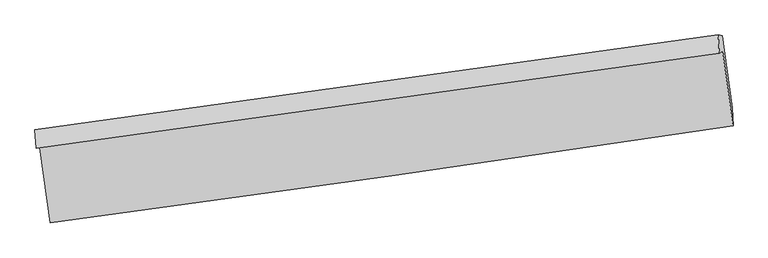
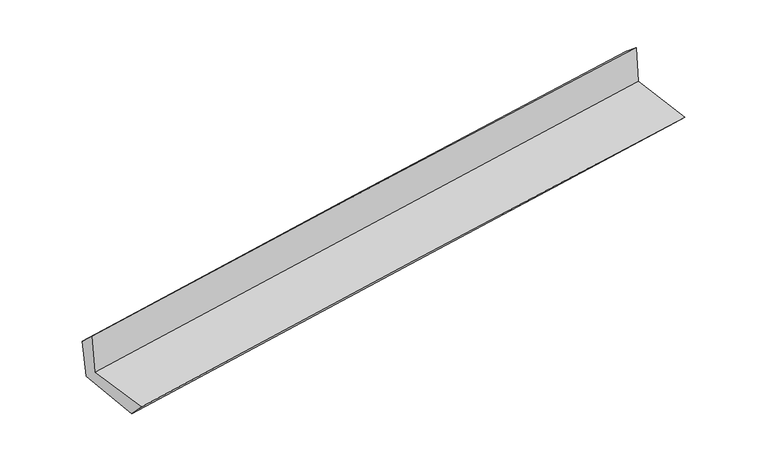
"""IFC4 building model written with IfcOpenShell, lengths in millimetres: proxy geometry."""

from ifc_helpers import new_model, si_unit, frame, origin, place, context, project, spatial, source, transform, mapped, element, save
from ifc_brep_helpers import plane_surface, spline_curve, spline_surface, advanced_brep


def generic_models_888f6c62(model_context):
    return source(origin(), model_context, "Body", "AdvancedBrep", [
        advanced_brep(
        [(-3000.1499838, -1925.1554991, 1658.0591765), (-2910.4017166, -2581.1784969, 1655.1389871), (3045.1346431, -1733.6214289, 2140.9584269), (2954.8940564, -1083.2894986, 2158.8601844), (-3032.7892665, -1929.9717085, 2051.2270704), (2925.5301742, -1102.1776901, 2536.0213777), (-3042.5585453, -1769.3183165, 1907.7747364), (2914.5557356, -942.3035105, 2408.0550289), (-3009.0776722, -1776.7986035, 1524.4786316), (2949.2533397, -949.3836764, 2009.7470122), (-2918.0463087, -2420.4143574, 1486.4196522), (3036.6739966, -1579.1549963, 1992.0206486)],
        [
            (0, 1),
            (1, 2, spline_curve(3, [(-2910.4017166, -2581.1784969, 1655.1389871), (-1917.664684645, -2447.673515195, 1747.078738118), (-925.010580202, -2310.2926361, 1833.532924355), (1060.168212501, -2027.773898077, 1995.473140567), (2052.692894711, -1882.635754274, 2070.958767425), (3045.1346431, -1733.6214289, 2140.9584269)], [4, 2, 4], [0.0, 9.9000527015309, 19.800468854048155])),
            (2, 3),
            (3, 0, spline_curve(3, [(2954.8940564, -1083.2894986, 2158.8601844), (1962.698469319, -1229.458273095, 2081.369694827), (970.337893622, -1372.699394236, 2000.890211951), (-1014.676798736, -1653.321179361, 1833.956323434), (-2007.330903178, -1790.702058356, 1747.502136867), (-3000.1499838, -1925.1554991, 1658.0591765)], [4, 2, 4], [0.0, 9.900416152517256, 19.800468854048155])),
            (4, 0),
            (3, 5),
            (5, 4, spline_curve(3, [(2925.5301742, -1102.1776901, 2536.0213777), (1931.696876839, -1241.310430152, 2466.534287509), (938.244500867, -1379.860890782, 2391.390371578), (-1047.861951541, -1655.792187512, 2229.791853672), (-2040.516055765, -1793.173066501, 2143.337667313), (-3032.7892665, -1929.9717085, 2051.2270704)], [4, 2, 4], [0.0, 9.900326488150554, 19.800289528606392])),
            (6, 4),
            (5, 7),
            (7, 6, spline_curve(3, [(2914.5557356, -942.3035105, 2408.0550289), (1921.325021657, -1081.046641943, 2330.824898708), (928.274365784, -1219.337365123, 2250.518987513), (-1057.430381231, -1495.008933939, 2083.758664285), (-2050.084485809, -1632.389812911, 1997.30447789), (-3042.5585453, -1769.3183165, 1907.7747364)], [4, 2, 4], [0.0, 9.900276560172534, 19.80018967448324])),
            (8, 6),
            (7, 9),
            (9, 8, spline_curve(3, [(2949.2533397, -949.3836764, 2009.7470122), (1955.414256711, -1088.326869895, 1940.022883747), (961.958023584, -1226.750966541, 1864.72094324), (-1024.152285387, -1502.555904073, 1702.964407111), (-2016.806390059, -1639.936783071, 1616.510220549), (-3009.0776722, -1776.7986035, 1524.4786316)], [4, 2, 4], [0.0, 9.900272885032507, 19.800182324338103])),
            (10, 8),
            (9, 11),
            (11, 10, spline_curve(3, [(3036.6739966, -1579.1549963, 1992.0206486), (2044.640277975, -1725.020449062, 1912.130150271), (1052.387613674, -1868.059357205, 1830.050671203), (-932.519170569, -2148.478936504, 1661.51684475), (-1925.173274998, -2285.859815436, 1575.062658567), (-2918.0463087, -2420.4143574, 1486.4196522)], [4, 2, 4], [0.0, 9.900293672097249, 19.80022389770448])),
            (1, 10),
            (11, 2),
        ],
        [
            spline_surface(3, 3, [[(-3000.1499838, -1925.1554991, 1658.0591765), (-2007.330903042, -1790.702058294, 1747.502136919), (-1014.676798638, -1653.321179424, 1833.956323327), (970.337893524, -1372.699394173, 2000.890212058), (1962.698469223, -1229.458272941, 2081.369694991), (2954.8940564, -1083.2894986, 2158.8601844)], [(-2970.233894737, -2143.829831689, 1657.085780024), (-1977.442163558, -2009.692543882, 1747.361003948), (-984.788059153, -1872.311665012, 1833.815190356), (1000.28133317, -1591.057562156, 1999.084521522), (1992.69661104, -1447.184100105, 2077.899385781), (2984.974251974, -1300.066808732, 2152.8929319)], [(-2940.317805663, -2362.504164311, 1656.112383576), (-1947.553424063, -2228.683029504, 1747.219871006), (-954.899319659, -2091.302150534, 1833.674057414), (1030.224772827, -1809.415730073, 1997.278831015), (2022.694752835, -1664.909927172, 2074.42907657), (3015.054447526, -1516.844118768, 2146.9256794)], [(-2910.4017166, -2581.1784969, 1655.1389871), (-1917.664684579, -2447.673515092, 1747.078738035), (-925.010580174, -2310.292636122, 1833.532924443), (1060.168212473, -2027.773898056, 1995.473140479), (2052.692894652, -1882.635754336, 2070.958767359), (3045.1346431, -1733.6214289, 2140.9584269)]], [4, 4], [4, 2, 4], [0.0, 2.172375343078488], [0.0, 9.9000527015309, 19.800468854048155]),
            spline_surface(3, 3, [[(-3032.7892665, -1929.9717085, 2051.2270704), (-2040.51605577, -1793.173066474, 2143.337667349), (-1047.861951465, -1655.792187504, 2229.791853757), (938.244500791, -1379.860890791, 2391.390371493), (1931.69687674, -1241.310430289, 2466.534287561), (2925.5301742, -1102.1776901, 2536.0213777)], [(-3021.909505588, -1928.366305387, 1920.171105767), (-2029.454338182, -1792.349397101, 2011.392490539), (-1036.800233877, -1654.968518131, 2097.846676947), (948.942298348, -1377.473725239, 2261.223651681), (1942.030740904, -1237.359711158, 2338.146090038), (2935.318134937, -1095.881626252, 2410.300979934)], [(-3011.029744712, -1926.760902213, 1789.115141133), (-2018.39262063, -1791.525727667, 1879.447313728), (-1025.738516226, -1654.144848797, 1965.901500137), (959.640095967, -1375.086559726, 2131.056931869), (1952.364605059, -1233.408992071, 2209.757892514), (2945.106095663, -1089.585562448, 2284.580582166)], [(-3000.1499838, -1925.1554991, 1658.0591765), (-2007.330903042, -1790.702058294, 1747.502136919), (-1014.676798638, -1653.321179424, 1833.956323327), (970.337893524, -1372.699394173, 2000.890212058), (1962.698469223, -1229.458272941, 2081.369694991), (2954.8940564, -1083.2894986, 2158.8601844)]], [4, 4], [4, 2, 4], [0.0, 1.2944541029537724], [0.0, 9.899963040455837, 19.800289528606392]),
            spline_surface(3, 3, [[(-3042.5585453, -1769.3183165, 1907.7747364), (-2050.084485668, -1632.389812886, 1997.304477926), (-1057.430381264, -1495.008933916, 2083.758664234), (928.274365816, -1219.337365146, 2250.518987564), (1921.325021711, -1081.046642087, 2330.824898745), (2914.5557356, -942.3035105, 2408.0550289)], [(-3039.302119043, -1822.869447178, 1955.592181094), (-2046.895009046, -1685.98423076, 2045.982207761), (-1054.240904641, -1548.60335179, 2132.436394069), (931.597744165, -1272.845207039, 2297.476115534), (1924.782306701, -1134.467904821, 2376.061361684), (2918.21388178, -995.5949037, 2450.7104785)], [(-3036.045692757, -1876.420577822, 2003.409625706), (-2043.705532392, -1739.5786486, 2094.659937514), (-1051.051428088, -1602.19776963, 2181.114123922), (934.921122443, -1326.353048898, 2344.433243523), (1928.239591751, -1187.889167555, 2421.297824622), (2921.87202802, -1048.8862969, 2493.3659281)], [(-3032.7892665, -1929.9717085, 2051.2270704), (-2040.51605577, -1793.173066474, 2143.337667349), (-1047.861951465, -1655.792187504, 2229.791853757), (938.244500791, -1379.860890791, 2391.390371493), (1931.69687674, -1241.310430289, 2466.534287561), (2925.5301742, -1102.1776901, 2536.0213777)]], [4, 4], [4, 2, 4], [0.0, 0.70734999801536], [0.0, 9.899913114310705, 19.80018967448324]),
            spline_surface(3, 3, [[(-3009.0776722, -1776.7986035, 1524.4786316), (-2016.806389902, -1639.936783085, 1616.510220663), (-1024.152285498, -1502.555904116, 1702.964406972), (961.958023695, -1226.750966498, 1864.720943379), (1955.414256587, -1088.326869827, 1940.022883902), (2949.2533397, -949.3836764, 2009.7470122)], [(-3020.237963232, -1774.305174471, 1652.243999856), (-2027.89908849, -1637.421126323, 1743.441639741), (-1035.244984086, -1500.040247353, 1829.895826049), (950.730137736, -1224.279766018, 1993.32029143), (1944.051178295, -1085.900127261, 2070.29022216), (2937.687471666, -947.023621114, 2142.516351078)], [(-3031.398254268, -1771.811745529, 1780.009368144), (-2038.991787081, -1634.905469648, 1870.373058849), (-1046.337682676, -1497.524590678, 1956.827245157), (939.502251775, -1221.808565626, 2121.919639513), (1932.688100004, -1083.473384653, 2200.557560486), (2926.121603634, -944.663565786, 2275.285690022)], [(-3042.5585453, -1769.3183165, 1907.7747364), (-2050.084485668, -1632.389812886, 1997.304477926), (-1057.430381264, -1495.008933916, 2083.758664234), (928.274365816, -1219.337365146, 2250.518987564), (1921.325021711, -1081.046642087, 2330.824898745), (2914.5557356, -942.3035105, 2408.0550289)]], [4, 4], [4, 2, 4], [0.0, 1.2625605224154162], [0.0, 9.899909439305596, 19.800182324338103]),
            spline_surface(3, 3, [[(-2918.0463087, -2420.4143574, 1486.4196522), (-1925.173275106, -2285.859815589, 1575.062658573), (-932.519170701, -2148.478936619, 1661.516844881), (1052.387613807, -1868.05935709, 1830.050671071), (2044.640277836, -1725.020449068, 1912.130150213), (3036.6739966, -1579.1549963, 1992.0206486)], [(-2948.390096546, -2205.875772768, 1499.105978662), (-1955.717646717, -2070.552138089, 1588.878512598), (-963.063542312, -1933.17125912, 1675.332698906), (1022.244417091, -1654.289893561, 1841.607428502), (2014.898270742, -1512.789255981, 1921.427728114), (3007.533777623, -1369.231222993, 1997.929436471)], [(-2978.733884354, -1991.337188132, 1511.792305138), (-1986.262018291, -1855.244460585, 1602.694366638), (-993.607913887, -1717.863581615, 1689.148552947), (992.101220411, -1440.520430027, 1853.164185948), (1985.156263681, -1300.558062914, 1930.725306001), (2978.393558677, -1159.307449707, 2003.838224329)], [(-3009.0776722, -1776.7986035, 1524.4786316), (-2016.806389902, -1639.936783085, 1616.510220663), (-1024.152285498, -1502.555904116, 1702.964406972), (961.958023695, -1226.750966498, 1864.720943379), (1955.414256587, -1088.326869827, 1940.022883902), (2949.2533397, -949.3836764, 2009.7470122)]], [4, 4], [4, 2, 4], [0.0, 2.1362683288974487], [0.0, 9.899930225607232, 19.80022389770448]),
            spline_surface(3, 3, [[(-2910.4017166, -2581.1784969, 1655.1389871), (-1917.664684579, -2447.673515092, 1747.078738035), (-925.010580174, -2310.292636122, 1833.532924443), (1060.168212473, -2027.773898056, 1995.473140479), (2052.692894652, -1882.635754336, 2070.958767359), (3045.1346431, -1733.6214289, 2140.9584269)], [(-2912.949913954, -2527.590450407, 1598.899208798), (-1920.167548075, -2393.735615265, 1689.740044879), (-927.513443671, -2256.354736295, 1776.194231287), (1057.574679597, -1974.535717741, 1940.332317374), (2050.008689068, -1830.097319222, 2018.015894994), (3042.314427621, -1682.132618008, 2091.312500817)], [(-2915.498111346, -2474.002403893, 1542.659430502), (-1922.67041161, -2339.797715416, 1632.401351729), (-930.016307205, -2202.416836446, 1718.855538038), (1054.981146683, -1921.297537404, 1885.191494176), (2047.32448342, -1777.558884183, 1965.073022578), (3039.494212079, -1630.643807192, 2041.666574683)], [(-2918.0463087, -2420.4143574, 1486.4196522), (-1925.173275106, -2285.859815589, 1575.062658573), (-932.519170701, -2148.478936619, 1661.516844881), (1052.387613807, -1868.05935709, 1830.050671071), (2044.640277836, -1725.020449068, 1912.130150213), (3036.6739966, -1579.1549963, 1992.0206486)]], [4, 4], [4, 2, 4], [0.0, 0.7650035245500041], [0.0, 9.900026291311342, 19.80041603263947]),
            plane_surface(frame((2971.0069909, -1231.6551335, 2207.6104464), z_axis=(0.9873515900848545, 0.13470399579930872, 0.08361621297696667), x_axis=(-0.08677022733773812, 0.01770576433038738, 0.9960709982512462))),
            plane_surface(frame((-2985.5039155, -2067.139497, 1713.849709), z_axis=(-0.9873515900848102, -0.1347039957999637, -0.08361621297643351), x_axis=(-0.13554272468237732, 0.990761686614781, 0.0044102292357396985))),
        ],
        [
            (0, [[1, 2, 3, 4]]),
            (1, [[5, -4, 6, 7]]),
            (2, [[8, -7, 9, 10]]),
            (3, [[11, -10, 12, 13]]),
            (4, [[14, -13, 15, 16]]),
            (5, [[17, -16, 18, -2]]),
            (6, [[-12, -9, -6, -3, -18, -15]]),
            (7, [[-1, -5, -8, -11, -14, -17]]),
        ],
    ),
    ])


if __name__ == "__main__":
    model = new_model("IFC4")
    model_context = context("Model", 3, world=origin())
    ifc_project = project(units=[si_unit("LENGTHUNIT", "METRE", prefix="MILLI")], contexts=[model_context])
    site = spatial("IfcSite", under=ifc_project)
    building = spatial("IfcBuilding", under=site)
    placement = place(None, origin())
    generic_models_shape = generic_models_888f6c62(model_context)
    element("IfcBuildingElementProxy", 1, Name="Generic Models", at=placement, inside=building, context=model_context, shape_type="MappedRepresentation", body=[
        mapped(generic_models_shape, transform((0.0, 0.0, 0.0), x_axis=(1.0, 0.0, 0.0), y_axis=(0.0, 1.0, 0.0), z_axis=(0.0, 0.0, 1.0))),
    ])
    save(model, "model.ifc")
